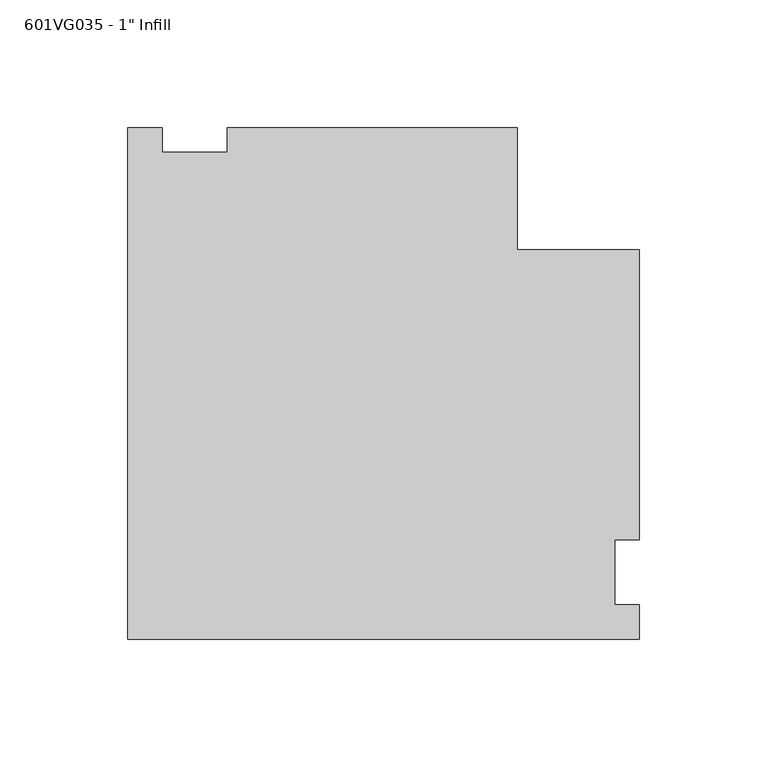
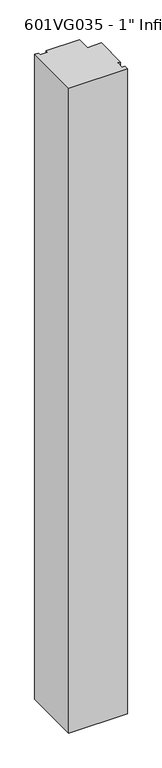
"""IFC4 building model written with IfcOpenShell, lengths in millimetres: proxy geometry."""

from ifc_helpers import new_model, si_unit, frame, origin, place, context, project, spatial, polyline, outline, extrude, source, transform, mapped, element, save


def proxy_704727a3(model_context):
    return source(origin(), model_context, "Body", "SweptSolid", [
        extrude(outline(polyline([(-26.19375, 173.98365), (-12.7, 173.98365), (-12.7, 164.45865), (12.7, 164.45865), (12.7, 173.98365), (126.20625, 173.98365), (126.20625, 126.20625), (173.983587, 126.20625), (173.983587, 12.7), (164.458587, 12.7), (164.458587, -12.7), (173.983587, -12.7), (173.983587, -26.19375), (-26.19375, -26.19375), (-26.19375, 173.98365)])), frame((0.0, 0.0, 63.5), z_axis=(0.0, 0.0, 1.0), x_axis=(1.0, 0.0, 0.0)), (0.0, 0.0, 1.0), 2324.1),
    ])


if __name__ == "__main__":
    model = new_model("IFC4")
    model_context = context("Model", 3, world=origin())
    ifc_project = project(units=[si_unit("LENGTHUNIT", "METRE", prefix="MILLI")], contexts=[model_context])
    site = spatial("IfcSite", under=ifc_project)
    building = spatial("IfcBuilding", under=site)
    placement = place(None, origin())
    proxy_shape = proxy_704727a3(model_context)
    element("IfcBuildingElementProxy", 1, Name="601VG035 - 1\" Infill", ObjectType="601VG035 - 1\" Infill", at=placement, inside=building, context=model_context, shape_type="MappedRepresentation", body=[
        mapped(proxy_shape, transform((0.0, 0.0, 0.0), x_axis=(1.0, 0.0, 0.0), y_axis=(0.0, 1.0, 0.0), z_axis=(0.0, 0.0, 1.0))),
    ])
    save(model, "model.ifc")
